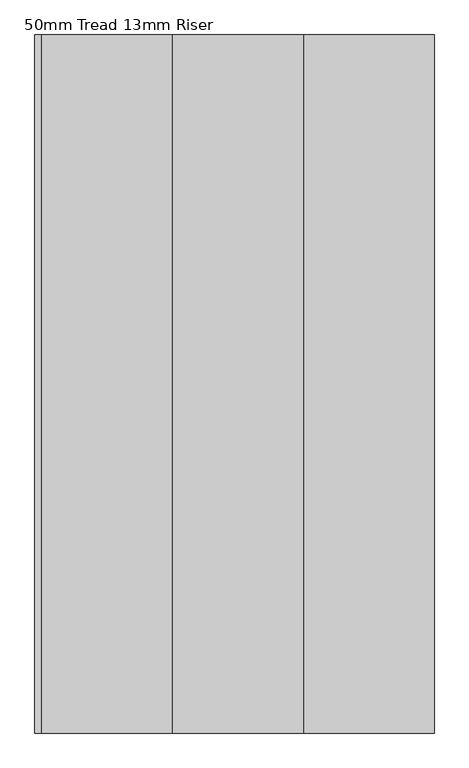
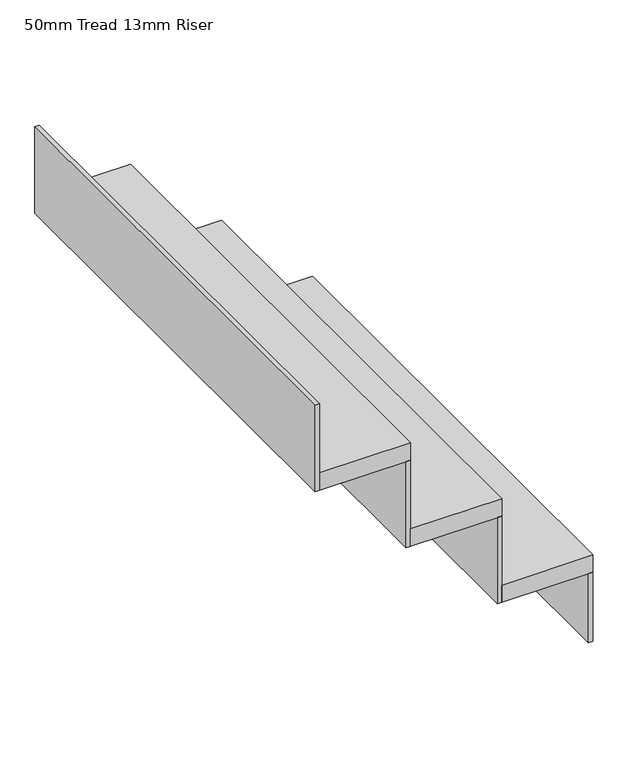
"""IFC4 building model written with IfcOpenShell, lengths in millimetres: stair flight geometry, 50mm Tread 13mm Riser."""

from ifc_helpers import new_model, si_unit, frame, origin, place, context, project, spatial, polyline, outline, extrude, source, transform, mapped, element, save


def stair_flight_50mm_tread_13mm_riser_f63bd4ba(model_context):
    return source(origin(), model_context, "Body", "SweptSolid", [
        extrude(outline(polyline([(5586.766528, -35540.875609), (5599.266528, -35540.875609), (5599.266528, -36872.8803097), (5586.766528, -36872.8803097), (5586.766528, -35540.875609)])), frame((0.0, 0.0, -1000.0), z_axis=(0.0, 0.0, 1.0), x_axis=(1.0, 0.0, 0.0)), (0.0, 0.0, 1.0), 200.0),
        extrude(outline(polyline([(5349.266528, -36872.8803097), (5349.266528, -35540.875609), (5599.266528, -35540.875609), (5599.266528, -36872.8803097), (5349.266528, -36872.8803097)])), frame((0.0, 0.0, -800.0), z_axis=(0.0, 0.0, 1.0), x_axis=(1.0, 0.0, 0.0)), (0.0, 0.0, 1.0), 50.0),
        extrude(outline(polyline([(5336.766528, -35540.875609), (5349.266528, -35540.875609), (5349.266528, -36872.8803097), (5336.766528, -36872.8803097), (5336.766528, -35540.875609)])), frame((0.0, 0.0, -800.0), z_axis=(0.0, 0.0, 1.0), x_axis=(1.0, 0.0, 0.0)), (0.0, 0.0, 1.0), 250.0),
        extrude(outline(polyline([(5099.266528, -36872.8803097), (5099.266528, -35540.875609), (5349.266528, -35540.875609), (5349.266528, -36872.8803097), (5099.266528, -36872.8803097)])), frame((0.0, 0.0, -550.0), z_axis=(0.0, 0.0, 1.0), x_axis=(1.0, 0.0, 0.0)), (0.0, 0.0, 1.0), 50.0),
        extrude(outline(polyline([(5086.766528, -35540.875609), (5099.266528, -35540.875609), (5099.266528, -36872.8803097), (5086.766528, -36872.8803097), (5086.766528, -35540.875609)])), frame((0.0, 0.0, -550.0), z_axis=(0.0, 0.0, 1.0), x_axis=(1.0, 0.0, 0.0)), (0.0, 0.0, 1.0), 250.0),
        extrude(outline(polyline([(4836.766528, -35540.875609), (4849.266528, -35540.875609), (4849.266528, -36872.8803097), (4836.766528, -36872.8803097), (4836.766528, -35540.875609)])), frame((0.0, 0.0, -300.0), z_axis=(0.0, 0.0, 1.0), x_axis=(1.0, 0.0, 0.0)), (0.0, 0.0, 1.0), 250.0),
        extrude(outline(polyline([(4849.266528, -36872.8803097), (4849.266528, -35540.875609), (5099.266528, -35540.875609), (5099.266528, -36872.8803097), (4849.266528, -36872.8803097)])), frame((0.0, 0.0, -300.0), z_axis=(0.0, 0.0, 1.0), x_axis=(1.0, 0.0, 0.0)), (0.0, 0.0, 1.0), 50.0),
    ])


if __name__ == "__main__":
    model = new_model("IFC4")
    model_context = context("Model", 3, world=origin())
    ifc_project = project(units=[si_unit("LENGTHUNIT", "METRE", prefix="MILLI")], contexts=[model_context])
    site = spatial("IfcSite", under=ifc_project)
    building = spatial("IfcBuilding", under=site)
    placement = place(None, origin())
    stair_flight_50mm_tread_13mm_riser_shape = stair_flight_50mm_tread_13mm_riser_f63bd4ba(model_context)
    element("IfcStairFlight", 1, ObjectType="50mm Tread 13mm Riser", at=placement, inside=building, context=model_context, shape_type="MappedRepresentation", body=[
        mapped(stair_flight_50mm_tread_13mm_riser_shape, transform((0.0, 0.0, 0.0), x_axis=(1.0, 0.0, 0.0), y_axis=(0.0, 1.0, 0.0), z_axis=(0.0, 0.0, 1.0))),
    ])
    save(model, "model.ifc")
